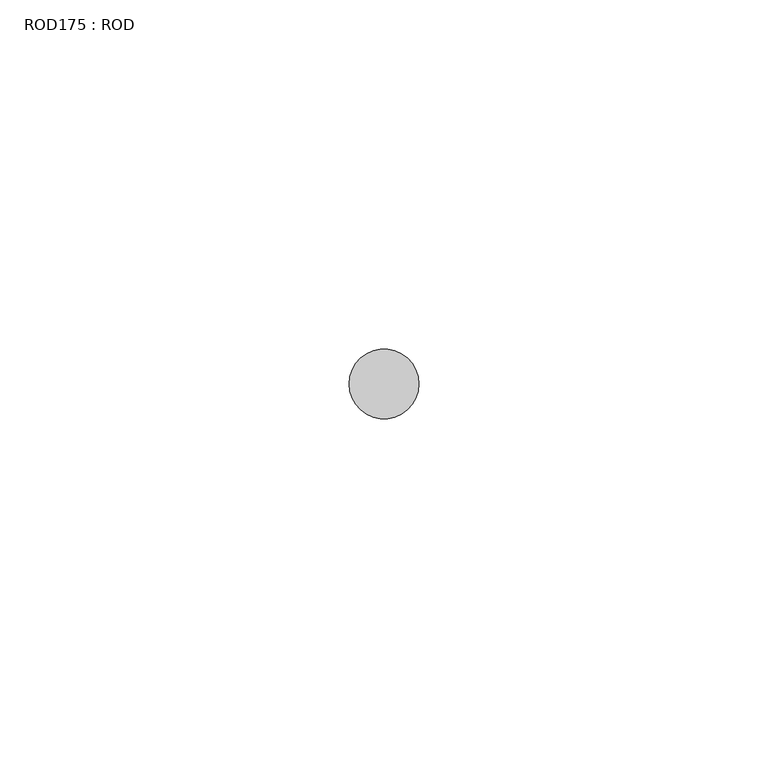
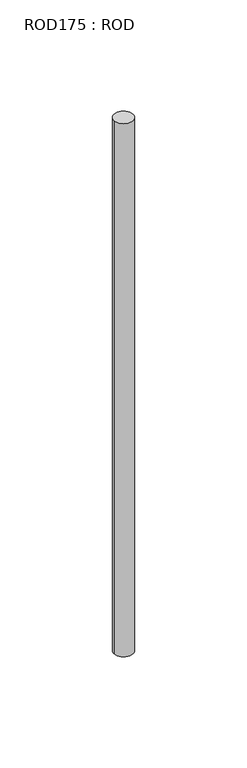
"""IFC4 building model written with IfcOpenShell, lengths in millimetres: proxy geometry, ROD175 : ROD."""

from ifc_helpers import new_model, si_unit, point, frame, frame_2d, origin, place, context, project, spatial, circle_curve, trimmed, segment, composite_curve, outline, extrude, source, transform, mapped, element, save


def rod175_rod_4cf68bdd(model_context):
    return source(origin(), model_context, "Body", "SweptSolid", [
        extrude(outline(composite_curve([segment(trimmed(circle_curve(frame_2d((7199.7673324, -21568.1048728)), 5.0), [point((7194.7673324, -21568.1048728))], [point((7204.7673324, -21568.1048728))], False, "CARTESIAN"), True, "CONTINUOUS"), segment(trimmed(circle_curve(frame_2d((7199.7673324, -21568.1048728)), 5.0), [point((7204.7673324, -21568.1048728))], [point((7194.7673324, -21568.1048728))], False, "CARTESIAN"), True, "CONTINUOUS")], self_intersect=False)), frame((0.0, 0.0, 166.3391155), z_axis=(0.0, 0.0, 1.0), x_axis=(1.0, 0.0, 0.0)), (0.0, 0.0, 1.0), 298.9028972),
    ])


if __name__ == "__main__":
    model = new_model("IFC4")
    model_context = context("Model", 3, world=origin())
    ifc_project = project(units=[si_unit("LENGTHUNIT", "METRE", prefix="MILLI")], contexts=[model_context])
    site = spatial("IfcSite", under=ifc_project)
    building = spatial("IfcBuilding", under=site)
    placement = place(None, origin())
    rod175_rod_shape = rod175_rod_4cf68bdd(model_context)
    element("IfcBuildingElementProxy", 1, Name="ROD175 : ROD", ObjectType="ROD175 : ROD", at=placement, inside=building, context=model_context, shape_type="MappedRepresentation", body=[
        mapped(rod175_rod_shape, transform((0.0, 0.0, 0.0), x_axis=(1.0, 0.0, 0.0), y_axis=(0.0, 1.0, 0.0), z_axis=(0.0, 0.0, 1.0))),
    ])
    save(model, "model.ifc")
